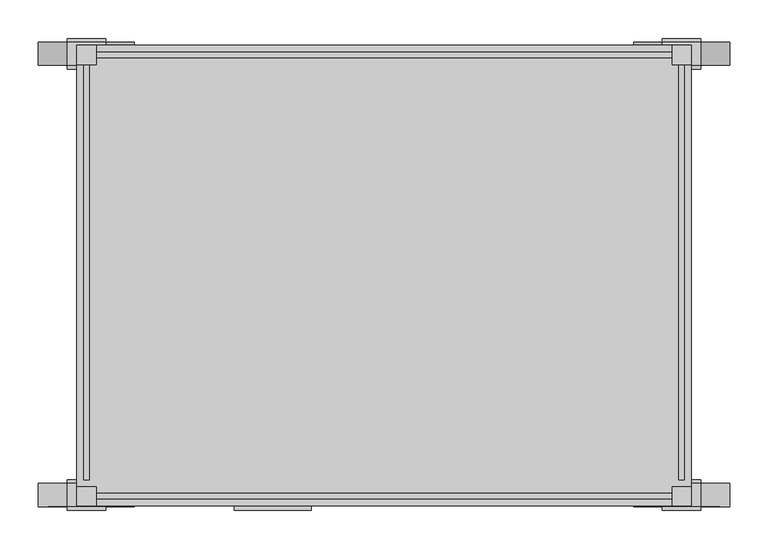
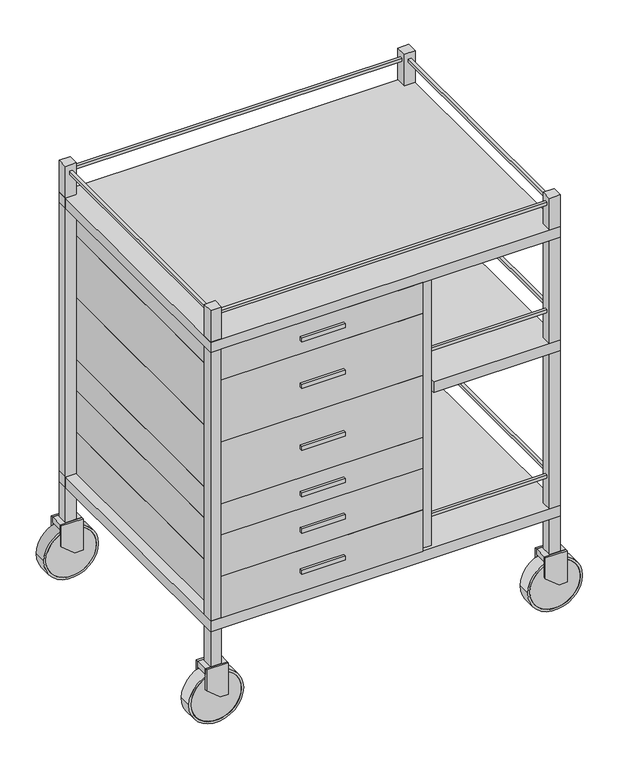
"""IFC4 building model written with IfcOpenShell, lengths in millimetres: proxy geometry."""

import ifcopenshell
import ifcopenshell.guid

model = None  # the IFC model being written
_history = None  # IfcOwnerHistory: only IFC2X3 demands one
_inside = {}  # id of a spatial element -> (the spatial element, [elements in it])
_under = {}  # id of a project, library or spatial element -> (it, [spatial elements below it])
_declared = {}  # id of a project -> (the project, [libraries it declares])
_typed = {}  # id of a type object -> (the type object, [elements of that type])
_made_of = {}  # id of a material, layer set ... -> (it, [elements and type objects made of it])


def new_model(schema):
    """Start an empty IFC model of exactly this schema.

    Asked for "IFC4X3", IfcOpenShell would pick the latest addendum, in which some entities
    have other attributes; the version numbers below select the first issue.
    IFC2X3 requires an IfcOwnerHistory on every rooted entity: one is made here for all.
    """
    global model, _history
    if schema == "IFC4X3":
        model = ifcopenshell.file(schema_version=(4, 3, 0, 0))
    else:
        model = ifcopenshell.file(schema=schema)
    _inside.clear()
    _under.clear()
    _declared.clear()
    _typed.clear()
    _made_of.clear()
    _history = None
    if model.schema == "IFC2X3":
        org = make("IfcOrganization", Name="unknown")
        user = make(
            "IfcPersonAndOrganization",
            ThePerson=make("IfcPerson", FamilyName="unknown"),
            TheOrganization=org,
        )
        app = make(
            "IfcApplication",
            ApplicationDeveloper=org,
            Version="unknown",
            ApplicationFullName="unknown",
            ApplicationIdentifier="unknown",
        )
        _history = make(
            "IfcOwnerHistory",
            OwningUser=user,
            OwningApplication=app,
            ChangeAction="ADDED",
            CreationDate=0,
        )
    return model


def make(cls, **values):
    """One entity of the class cls with the attributes given. An attribute that is None is left unset."""
    return model.create_entity(
        cls, **{name: value for name, value in values.items() if value is not None}
    )


def rooted(cls, **values):
    """An entity with a GlobalId (a new one), such as an element, a storey or a relation."""
    return make(cls, GlobalId=ifcopenshell.guid.new(), OwnerHistory=_history, **values)


def si_unit(unit_type, name, prefix=None):
    """IfcSIUnit, for example si_unit("LENGTHUNIT", "METRE", prefix="MILLI")."""
    return make("IfcSIUnit", UnitType=unit_type, Prefix=prefix, Name=name)


def assignment(units):
    """IfcUnitAssignment: the units of a project."""
    return None if units is None else make("IfcUnitAssignment", Units=units)


def point(xyz):
    """IfcCartesianPoint."""
    return None if xyz is None else make("IfcCartesianPoint", Coordinates=xyz)


def direction(xyz):
    """IfcDirection."""
    return None if xyz is None else make("IfcDirection", DirectionRatios=xyz)


def frame(location, z_axis=None, x_axis=None):
    """IfcAxis2Placement3D, a coordinate frame: its origin and axes. An axis left out is left unset."""
    return make(
        "IfcAxis2Placement3D",
        Location=point(location),
        Axis=direction(z_axis),
        RefDirection=direction(x_axis),
    )


def frame_2d(location, x_axis=None):
    """IfcAxis2Placement2D, a coordinate frame in the plane: its origin and x axis."""
    return make(
        "IfcAxis2Placement2D", Location=point(location), RefDirection=direction(x_axis)
    )


def origin():
    """The frame at (0, 0, 0) with its axes left unset."""
    return frame((0.0, 0.0, 0.0))


def place(relative_to, where):
    """IfcLocalPlacement: puts the frame where relative to a parent placement (None: the world)."""
    return make(
        "IfcLocalPlacement", PlacementRelTo=relative_to, RelativePlacement=where
    )


def context(
    kind, dimensions, precision=None, world=None, true_north=None, identifier=None
):
    """IfcGeometricRepresentationContext, for example the 3D "Model" context."""
    return make(
        "IfcGeometricRepresentationContext",
        ContextIdentifier=identifier,
        ContextType=kind,
        CoordinateSpaceDimension=dimensions,
        Precision=precision,
        WorldCoordinateSystem=world,
        TrueNorth=true_north,
    )


def project(units=None, contexts=None):
    """IfcProject with its units and contexts."""
    return rooted(
        "IfcProject",
        Name="project",
        RepresentationContexts=contexts,
        UnitsInContext=assignment(units),
    )


def spatial(cls, under=None, at=None, **own):
    """A site, building, storey or space (cls), placed at a placement, below another one or the project."""
    s = rooted(cls, ObjectPlacement=at, **own)
    if under is not None:
        _under.setdefault(under.id(), (under, []))[1].append(s)
    return s


def polyline(points):
    """IfcPolyline through the points."""
    return make("IfcPolyline", Points=[point(p) for p in points])


def circle_curve(where, radius):
    """IfcCircle in the frame where."""
    return make("IfcCircle", Position=where, Radius=radius)


def trimmed(basis, trim1, trim2, sense, master):
    """IfcTrimmedCurve: the piece of a basis curve between two trims."""
    return make(
        "IfcTrimmedCurve",
        BasisCurve=basis,
        Trim1=trim1,
        Trim2=trim2,
        SenseAgreement=sense,
        MasterRepresentation=master,
    )


def segment(curve, same_sense, transition):
    """IfcCompositeCurveSegment."""
    return make(
        "IfcCompositeCurveSegment",
        Transition=transition,
        SameSense=same_sense,
        ParentCurve=curve,
    )


def composite_curve(segments, self_intersect=None):
    """IfcCompositeCurve: segments joined end to end."""
    return make("IfcCompositeCurve", Segments=segments, SelfIntersect=self_intersect)


def outline(outer, holes=None, kind="AREA"):
    """IfcArbitraryClosedProfileDef: a profile drawn as a closed curve; with holes, ...WithVoids."""
    if holes is None:
        return make("IfcArbitraryClosedProfileDef", ProfileType=kind, OuterCurve=outer)
    return make(
        "IfcArbitraryProfileDefWithVoids",
        ProfileType=kind,
        OuterCurve=outer,
        InnerCurves=holes,
    )


def extrude(swept, where, along, depth):
    """IfcExtrudedAreaSolid: the profile swept, set in the frame where, extruded along a direction by depth."""
    return make(
        "IfcExtrudedAreaSolid",
        SweptArea=swept,
        Position=where,
        ExtrudedDirection=direction(along),
        Depth=depth,
    )


def shape(context_of_items, identifier, shape_type, items):
    """IfcShapeRepresentation: the items that make up one representation, for example the "Body"."""
    return make(
        "IfcShapeRepresentation",
        ContextOfItems=context_of_items,
        RepresentationIdentifier=identifier,
        RepresentationType=shape_type,
        Items=items,
    )


def source(mapping_origin, context_of_items, identifier, shape_type, items):
    """IfcRepresentationMap: a shape defined once, which mapped items show again and again."""
    return make(
        "IfcRepresentationMap",
        MappingOrigin=mapping_origin,
        MappedRepresentation=shape(context_of_items, identifier, shape_type, items),
    )


def transform(
    local_origin,
    x_axis=None,
    y_axis=None,
    z_axis=None,
    scale=None,
    scale2=None,
    scale3=None,
    uniform=True,
):
    """IfcCartesianTransformationOperator3D, or its non-uniform kind. x_axis, y_axis, z_axis: its Axis1, 2, 3."""
    if uniform:
        return make(
            "IfcCartesianTransformationOperator3D",
            Axis1=direction(x_axis),
            Axis2=direction(y_axis),
            LocalOrigin=point(local_origin),
            Scale=scale,
            Axis3=direction(z_axis),
        )
    return make(
        "IfcCartesianTransformationOperator3DnonUniform",
        Axis1=direction(x_axis),
        Axis2=direction(y_axis),
        LocalOrigin=point(local_origin),
        Scale=scale,
        Axis3=direction(z_axis),
        Scale2=scale2,
        Scale3=scale3,
    )


def mapped(mapping_source, mapping_target):
    """IfcMappedItem: shows the shape of a source again, moved by a transform."""
    return make(
        "IfcMappedItem", MappingSource=mapping_source, MappingTarget=mapping_target
    )


def made_of(thing, what):
    """Note that an element or type object is made of a material, layer set ...; save() writes the relation."""
    if what is not None:
        _made_of.setdefault(what.id(), (what, []))[1].append(thing)
    return thing


def element(
    cls,
    number,
    at=None,
    inside=None,
    cuts=None,
    type_object=None,
    material=None,
    context=None,
    identifier="Body",
    shape_type=None,
    held_by="IfcProductDefinitionShape",
    body=None,
    shapes=None,
    **own,
):
    """One element of the class cls, such as IfcWall. Its Tag is "e" and its number.

    at: its placement. inside: the storey or other place that contains it. cuts: it is an
    opening in that element (IfcRelVoidsElement). A single representation is given by context,
    identifier, shape_type and body (its items); several are given by shapes. held_by: the class
    of the entity that holds the representations. save() writes the other relations.
    """
    e = rooted(cls, Tag="e%d" % number, ObjectPlacement=at, **own)
    if body is not None:
        shapes = [shape(context, identifier, shape_type, body)]
    if shapes is not None:
        e.Representation = make(held_by, Representations=shapes)
    if inside is not None:
        _inside.setdefault(inside.id(), (inside, []))[1].append(e)
    if cuts is not None:
        rooted(
            "IfcRelVoidsElement", RelatingBuildingElement=cuts, RelatedOpeningElement=e
        )
    if type_object is not None:
        _typed.setdefault(type_object.id(), (type_object, []))[1].append(e)
    return made_of(e, material)


def aggregate(whole, parts):
    """IfcRelAggregates: a whole, such as a stair, and the parts it consists of."""
    return rooted("IfcRelAggregates", RelatingObject=whole, RelatedObjects=parts)


def save(model, path):
    """Write the relations noted so far, then the file.

    IfcRelAggregates (storeys below a building ...), IfcRelContainedInSpatialStructure (elements
    in a storey), IfcRelDefinesByType, IfcRelAssociatesMaterial and IfcRelDeclares: one each for
    every whole, place, type object, material and project.
    """
    for whole, parts in _under.values():
        aggregate(whole, parts)
    for where, things in _inside.values():
        rooted(
            "IfcRelContainedInSpatialStructure",
            RelatedElements=things,
            RelatingStructure=where,
        )
    for kind, things in _typed.values():
        rooted("IfcRelDefinesByType", RelatedObjects=things, RelatingType=kind)
    for what, things in _made_of.values():
        rooted("IfcRelAssociatesMaterial", RelatedObjects=things, RelatingMaterial=what)
    for by, libraries in _declared.values():
        rooted("IfcRelDeclares", RelatingContext=by, RelatedDefinitions=libraries)
    model.write(path)


def specialty_equipment_c2735420(model_context):
    return source(origin(), model_context, "Body", "SweptSolid", [
        extrude(outline(composite_curve([segment(trimmed(circle_curve(frame_2d((62.5, 338.3586559)), 57.5), [point((62.5, 395.8586559))], [point((62.5, 280.8586559))], False, "CARTESIAN"), True, "CONTINUOUS"), segment(trimmed(circle_curve(frame_2d((62.5, 338.3586559)), 57.5), [point((62.5, 280.8586559))], [point((62.5, 395.8586559))], False, "CARTESIAN"), True, "CONTINUOUS")], self_intersect=False)), frame((0.0, 225.2119941, 0.0), z_axis=(0.0, 1.0, 0.0), x_axis=(0.0, 0.0, 1.0)), (0.0, 0.0, 1.0), 29.2265291),
        extrude(outline(composite_curve([segment(polyline([(138.098077, 313.4167294), (125.119757, 313.4167294)]), True, "CONTINUOUS"), segment(trimmed(circle_curve(frame_2d((64.5595165, 338.3708329)), 65.5), [point((125.119757, 313.4167294))], [point((125.1297865, 363.3005823))], True, "CARTESIAN"), True, "CONTINUOUS"), segment(polyline([(125.1297865, 363.3005823), (138.098077, 363.3005823), (138.098077, 313.4167294)]), True, "CONTINUOUS")], self_intersect=False)), frame((0.0, 225.2119941, 0.0), z_axis=(0.0, 1.0, 0.0), x_axis=(0.0, 0.0, 1.0)), (0.0, 0.0, 1.0), 30.0),
        extrude(outline(polyline([(62.5, 363.3005823), (138.098077, 363.3005823), (138.098077, 313.4167294), (87.5, 313.4167294), (62.5, 344.4305465), (62.5, 363.3005823)])), frame((0.0, 220.2119941, 0.0), z_axis=(0.0, 1.0, 0.0), x_axis=(0.0, 0.0, 1.0)), (0.0, 0.0, 1.0), 5.0),
        extrude(outline(polyline([(62.5, 363.3005823), (138.098077, 363.3005823), (138.098077, 313.4167294), (87.5, 313.4167294), (62.5, 344.4305465), (62.5, 363.3005823)])), frame((0.0, 255.2119941, 0.0), z_axis=(0.0, 1.0, 0.0), x_axis=(0.0, 0.0, 1.0)), (0.0, 0.0, 1.0), 5.0),
        extrude(outline(composite_curve([segment(trimmed(circle_curve(frame_2d((62.5, 338.3586559)), 62.5), [point((62.5, 275.8586559))], [point((62.5, 400.8586559))], False, "CARTESIAN"), True, "CONTINUOUS"), segment(trimmed(circle_curve(frame_2d((62.5, 338.3586559)), 62.5), [point((62.5, 400.8586559))], [point((62.5, 275.8586559))], False, "CARTESIAN"), True, "CONTINUOUS")], self_intersect=False), holes=[composite_curve([segment(trimmed(circle_curve(frame_2d((62.5, 338.3586559)), 57.5), [point((62.5, 280.8586559))], [point((62.5, 395.8586559))], True, "CARTESIAN"), True, "CONTINUOUS"), segment(trimmed(circle_curve(frame_2d((62.5, 338.3586559)), 57.5), [point((62.5, 395.8586559))], [point((62.5, 280.8586559))], True, "CARTESIAN"), True, "CONTINUOUS")], self_intersect=False)]), frame((0.0, 225.2119941, 0.0), z_axis=(0.0, 1.0, 0.0), x_axis=(0.0, 0.0, 1.0)), (0.0, 0.0, 1.0), 30.0),
        extrude(outline(composite_curve([segment(trimmed(circle_curve(frame_2d((62.5, 338.3586559)), 57.5), [point((62.5, 395.8586559))], [point((62.5, 280.8586559))], False, "CARTESIAN"), True, "CONTINUOUS"), segment(trimmed(circle_curve(frame_2d((62.5, 338.3586559)), 57.5), [point((62.5, 280.8586559))], [point((62.5, 395.8586559))], False, "CARTESIAN"), True, "CONTINUOUS")], self_intersect=False)), frame((0.0, -349.014535, 0.0), z_axis=(0.0, 1.0, 0.0), x_axis=(0.0, 0.0, 1.0)), (0.0, 0.0, 1.0), 29.2265291),
        extrude(outline(composite_curve([segment(polyline([(138.098077, 313.4167294), (125.119757, 313.4167294)]), True, "CONTINUOUS"), segment(trimmed(circle_curve(frame_2d((64.5595165, 338.3708329)), 65.5), [point((125.119757, 313.4167294))], [point((125.1297865, 363.3005823))], True, "CARTESIAN"), True, "CONTINUOUS"), segment(polyline([(125.1297865, 363.3005823), (138.098077, 363.3005823), (138.098077, 313.4167294)]), True, "CONTINUOUS")], self_intersect=False)), frame((0.0, -349.7880059, 0.0), z_axis=(0.0, 1.0, 0.0), x_axis=(0.0, 0.0, 1.0)), (0.0, 0.0, 1.0), 30.0),
        extrude(outline(polyline([(62.5, 363.3005823), (138.098077, 363.3005823), (138.098077, 313.4167294), (87.5, 313.4167294), (62.5, 344.4305465), (62.5, 363.3005823)])), frame((0.0, -319.7880059, 0.0), z_axis=(0.0, 1.0, 0.0), x_axis=(0.0, 0.0, 1.0)), (0.0, 0.0, 1.0), 5.0),
        extrude(outline(polyline([(62.5, 363.3005823), (138.098077, 363.3005823), (138.098077, 313.4167294), (87.5, 313.4167294), (62.5, 344.4305465), (62.5, 363.3005823)])), frame((0.0, -354.7880059, 0.0), z_axis=(0.0, 1.0, 0.0), x_axis=(0.0, 0.0, 1.0)), (0.0, 0.0, 1.0), 5.0),
        extrude(outline(composite_curve([segment(trimmed(circle_curve(frame_2d((62.5, 338.3586559)), 62.5), [point((62.5, 275.8586559))], [point((62.5, 400.8586559))], False, "CARTESIAN"), True, "CONTINUOUS"), segment(trimmed(circle_curve(frame_2d((62.5, 338.3586559)), 62.5), [point((62.5, 400.8586559))], [point((62.5, 275.8586559))], False, "CARTESIAN"), True, "CONTINUOUS")], self_intersect=False), holes=[composite_curve([segment(trimmed(circle_curve(frame_2d((62.5, 338.3586559)), 57.5), [point((62.5, 280.8586559))], [point((62.5, 395.8586559))], True, "CARTESIAN"), True, "CONTINUOUS"), segment(trimmed(circle_curve(frame_2d((62.5, 338.3586559)), 57.5), [point((62.5, 395.8586559))], [point((62.5, 280.8586559))], True, "CARTESIAN"), True, "CONTINUOUS")], self_intersect=False)]), frame((0.0, -349.7880059, 0.0), z_axis=(0.0, 1.0, 0.0), x_axis=(0.0, 0.0, 1.0)), (0.0, 0.0, 1.0), 30.0),
        extrude(outline(polyline([(-144.1413441, -355.014535), (-244.1413441, -355.014535), (-244.1413441, -349.014535), (-144.1413441, -349.014535), (-144.1413441, -355.014535)])), frame((0.0, 0.0, 293.098077), z_axis=(0.0, 0.0, 1.0), x_axis=(1.0, 0.0, 0.0)), (0.0, 0.0, 1.0), 10.0),
        extrude(outline(polyline([(-144.1413441, -355.014535), (-244.1413441, -355.014535), (-244.1413441, -349.014535), (-144.1413441, -349.014535), (-144.1413441, -355.014535)])), frame((0.0, 0.0, 393.098077), z_axis=(0.0, 0.0, 1.0), x_axis=(1.0, 0.0, 0.0)), (0.0, 0.0, 1.0), 10.0),
        extrude(outline(polyline([(-144.1413441, -355.014535), (-244.1413441, -355.014535), (-244.1413441, -349.014535), (-144.1413441, -349.014535), (-144.1413441, -355.014535)])), frame((0.0, 0.0, 480.598077), z_axis=(0.0, 0.0, 1.0), x_axis=(1.0, 0.0, 0.0)), (0.0, 0.0, 1.0), 10.0),
        extrude(outline(polyline([(-144.1413441, -355.014535), (-244.1413441, -355.014535), (-244.1413441, -349.014535), (-144.1413441, -349.014535), (-144.1413441, -355.014535)])), frame((0.0, 0.0, 593.098077), z_axis=(0.0, 0.0, 1.0), x_axis=(1.0, 0.0, 0.0)), (0.0, 0.0, 1.0), 10.0),
        extrude(outline(polyline([(-144.1413441, -355.014535), (-244.1413441, -355.014535), (-244.1413441, -349.014535), (-144.1413441, -349.014535), (-144.1413441, -355.014535)])), frame((0.0, 0.0, 743.098077), z_axis=(0.0, 0.0, 1.0), x_axis=(1.0, 0.0, 0.0)), (0.0, 0.0, 1.0), 10.0),
        extrude(outline(polyline([(-144.1413441, -355.014535), (-244.1413441, -355.014535), (-244.1413441, -349.014535), (-144.1413441, -349.014535), (-144.1413441, -355.014535)])), frame((0.0, 0.0, 855.598077), z_axis=(0.0, 0.0, 1.0), x_axis=(1.0, 0.0, 0.0)), (0.0, 0.0, 1.0), 10.0),
        extrude(outline(polyline([(35.8586559, -349.014535), (-424.1413441, -349.014535), (-424.1413441, 250.985465), (35.8586559, 250.985465), (35.8586559, -349.014535)])), frame((0.0, 0.0, 248.098077), z_axis=(0.0, 0.0, 1.0), x_axis=(1.0, 0.0, 0.0)), (0.0, 0.0, 1.0), 100.0),
        extrude(outline(polyline([(35.8586559, -349.014535), (-424.1413441, -349.014535), (-424.1413441, 250.985465), (35.8586559, 250.985465), (35.8586559, -349.014535)])), frame((0.0, 0.0, 348.098077), z_axis=(0.0, 0.0, 1.0), x_axis=(1.0, 0.0, 0.0)), (0.0, 0.0, 1.0), 100.0),
        extrude(outline(polyline([(35.8586559, -349.014535), (-424.1413441, -349.014535), (-424.1413441, 250.985465), (35.8586559, 250.985465), (35.8586559, -349.014535)])), frame((0.0, 0.0, 448.098077), z_axis=(0.0, 0.0, 1.0), x_axis=(1.0, 0.0, 0.0)), (0.0, 0.0, 1.0), 75.0),
        extrude(outline(polyline([(35.8586559, -349.014535), (-424.1413441, -349.014535), (-424.1413441, 250.985465), (35.8586559, 250.985465), (35.8586559, -349.014535)])), frame((0.0, 0.0, 523.098077), z_axis=(0.0, 0.0, 1.0), x_axis=(1.0, 0.0, 0.0)), (0.0, 0.0, 1.0), 150.0),
        extrude(outline(polyline([(35.8586559, -349.014535), (-424.1413441, -349.014535), (-424.1413441, 250.985465), (35.8586559, 250.985465), (35.8586559, -349.014535)])), frame((0.0, 0.0, 673.098077), z_axis=(0.0, 0.0, 1.0), x_axis=(1.0, 0.0, 0.0)), (0.0, 0.0, 1.0), 150.0),
        extrude(outline(polyline([(35.8586559, -349.014535), (-424.1413441, -349.014535), (-424.1413441, 250.985465), (35.8586559, 250.985465), (35.8586559, -349.014535)])), frame((0.0, 0.0, 823.098077), z_axis=(0.0, 0.0, 1.0), x_axis=(1.0, 0.0, 0.0)), (0.0, 0.0, 1.0), 75.0),
        extrude(outline(polyline([(60.8586559, -340.014535), (35.8586559, -340.014535), (35.8586559, 250.985465), (60.8586559, 250.985465), (60.8586559, -340.014535)])), frame((0.0, 0.0, 248.098077), z_axis=(0.0, 0.0, 1.0), x_axis=(1.0, 0.0, 0.0)), (0.0, 0.0, 1.0), 650.0),
        extrude(outline(polyline([(325.8586559, -333.014535), (325.8586559, -340.014535), (60.8586559, -340.014535), (60.8586559, -333.014535), (325.8586559, -333.014535)])), frame((0.0, 0.0, 718.098077), z_axis=(0.0, 0.0, 1.0), x_axis=(1.0, 0.0, 0.0)), (0.0, 0.0, 1.0), 7.0),
        extrude(outline(polyline([(325.8586559, -333.014535), (325.8586559, -340.014535), (60.8586559, -340.014535), (60.8586559, -333.014535), (325.8586559, -333.014535)])), frame((0.0, 0.0, 318.098077), z_axis=(0.0, 0.0, 1.0), x_axis=(1.0, 0.0, 0.0)), (0.0, 0.0, 1.0), 7.0),
        extrude(outline(polyline([(325.8586559, -333.014535), (325.8586559, -340.014535), (60.8586559, -340.014535), (60.8586559, -333.014535), (325.8586559, -333.014535)])), frame((0.0, 0.0, 318.098077), z_axis=(0.0, 0.0, 1.0), x_axis=(1.0, 0.0, 0.0)), (0.0, 0.0, 1.0), 7.0),
        extrude(outline(polyline([(341.8586559, -324.014535), (334.8586559, -324.014535), (334.8586559, 225.985465), (341.8586559, 225.985465), (341.8586559, -324.014535)])), frame((0.0, 0.0, 318.098077), z_axis=(0.0, 0.0, 1.0), x_axis=(1.0, 0.0, 0.0)), (0.0, 0.0, 1.0), 7.0),
        extrude(outline(polyline([(350.8586559, -349.014535), (60.8586559, -349.014535), (60.8586559, 250.985465), (350.8586559, 250.985465), (350.8586559, -349.014535)])), frame((0.0, 0.0, 623.098077), z_axis=(0.0, 0.0, 1.0), x_axis=(1.0, 0.0, 0.0)), (0.0, 0.0, 1.0), 25.0),
        extrude(outline(polyline([(341.8586559, -314.7880059), (334.8586559, -314.7880059), (334.8586559, 225.985465), (341.8586559, 225.985465), (341.8586559, -314.7880059)])), frame((0.0, 0.0, 718.098077), z_axis=(0.0, 0.0, 1.0), x_axis=(1.0, 0.0, 0.0)), (0.0, 0.0, 1.0), 7.0),
        extrude(outline(polyline([(341.8586559, -314.7880059), (334.8586559, -314.7880059), (334.8586559, 225.985465), (341.8586559, 225.985465), (341.8586559, -314.7880059)])), frame((0.0, 0.0, 978.098077), z_axis=(0.0, 0.0, 1.0), x_axis=(1.0, 0.0, 0.0)), (0.0, 0.0, 1.0), 7.0),
        extrude(outline(polyline([(-440.1413441, -314.7880059), (-440.1413441, 225.985465), (-433.1413441, 225.985465), (-433.1413441, -314.7880059), (-440.1413441, -314.7880059)])), frame((0.0, 0.0, 978.098077), z_axis=(0.0, 0.0, 1.0), x_axis=(1.0, 0.0, 0.0)), (0.0, 0.0, 1.0), 7.0),
        extrude(outline(polyline([(325.8586559, -333.014535), (325.8586559, -340.014535), (-424.1413441, -340.014535), (-424.1413441, -333.014535), (325.8586559, -333.014535)])), frame((0.0, 0.0, 978.098077), z_axis=(0.0, 0.0, 1.0), x_axis=(1.0, 0.0, 0.0)), (0.0, 0.0, 1.0), 7.0),
        extrude(outline(polyline([(325.8586559, 234.985465), (-424.1413441, 234.985465), (-424.1413441, 241.985465), (325.8586559, 241.985465), (325.8586559, 234.985465)])), frame((0.0, 0.0, 978.098077), z_axis=(0.0, 0.0, 1.0), x_axis=(1.0, 0.0, 0.0)), (0.0, 0.0, 1.0), 7.0),
        extrude(outline(polyline([(350.8586559, -349.014535), (-449.1413441, -349.014535), (-449.1413441, 250.985465), (350.8586559, 250.985465), (350.8586559, -349.014535)])), frame((0.0, 0.0, 898.098077), z_axis=(0.0, 0.0, 1.0), x_axis=(1.0, 0.0, 0.0)), (0.0, 0.0, 1.0), 25.0),
        extrude(outline(polyline([(350.8586559, -349.014535), (-449.1413441, -349.014535), (-449.1413441, 250.985465), (350.8586559, 250.985465), (350.8586559, -349.014535)])), frame((0.0, 0.0, 223.098077), z_axis=(0.0, 0.0, 1.0), x_axis=(1.0, 0.0, 0.0)), (0.0, 0.0, 1.0), 25.0),
        extrude(outline(polyline([(350.8586559, -349.014535), (325.8586559, -349.014535), (325.8586559, -324.014535), (350.8586559, -324.014535), (350.8586559, -349.014535)])), frame((0.0, 0.0, 138.098077), z_axis=(0.0, 0.0, 1.0), x_axis=(1.0, 0.0, 0.0)), (0.0, 0.0, 1.0), 861.901923),
        extrude(outline(polyline([(350.8586559, 250.985465), (350.8586559, 225.985465), (325.8586559, 225.985465), (325.8586559, 250.985465), (350.8586559, 250.985465)])), frame((0.0, 0.0, 138.098077), z_axis=(0.0, 0.0, 1.0), x_axis=(1.0, 0.0, 0.0)), (0.0, 0.0, 1.0), 861.901923),
        extrude(outline(polyline([(-449.1413441, -349.014535), (-449.1413441, -324.014535), (-424.1413441, -324.014535), (-424.1413441, -349.014535), (-449.1413441, -349.014535)])), frame((0.0, 0.0, 138.098077), z_axis=(0.0, 0.0, 1.0), x_axis=(1.0, 0.0, 0.0)), (0.0, 0.0, 1.0), 861.901923),
        extrude(outline(polyline([(-449.1413441, 250.985465), (-424.1413441, 250.985465), (-424.1413441, 225.985465), (-449.1413441, 225.985465), (-449.1413441, 250.985465)])), frame((0.0, 0.0, 138.098077), z_axis=(0.0, 0.0, 1.0), x_axis=(1.0, 0.0, 0.0)), (0.0, 0.0, 1.0), 861.901923),
        extrude(outline(composite_curve([segment(trimmed(circle_curve(frame_2d((62.5, -436.6413441)), 57.5), [point((62.5, -379.1413441))], [point((62.5, -494.1413441))], False, "CARTESIAN"), True, "CONTINUOUS"), segment(trimmed(circle_curve(frame_2d((62.5, -436.6413441)), 57.5), [point((62.5, -494.1413441))], [point((62.5, -379.1413441))], False, "CARTESIAN"), True, "CONTINUOUS")], self_intersect=False)), frame((0.0, 225.2119941, 0.0), z_axis=(0.0, 1.0, 0.0), x_axis=(0.0, 0.0, 1.0)), (0.0, 0.0, 1.0), 29.2265291),
        extrude(outline(composite_curve([segment(polyline([(138.098077, -461.5832706), (125.119757, -461.5832706)]), True, "CONTINUOUS"), segment(trimmed(circle_curve(frame_2d((64.5595165, -436.6291671)), 65.5), [point((125.119757, -461.5832706))], [point((125.1297865, -411.6994177))], True, "CARTESIAN"), True, "CONTINUOUS"), segment(polyline([(125.1297865, -411.6994177), (138.098077, -411.6994177), (138.098077, -461.5832706)]), True, "CONTINUOUS")], self_intersect=False)), frame((0.0, 225.2119941, 0.0), z_axis=(0.0, 1.0, 0.0), x_axis=(0.0, 0.0, 1.0)), (0.0, 0.0, 1.0), 30.0),
        extrude(outline(polyline([(62.5, -411.6994177), (138.098077, -411.6994177), (138.098077, -461.5832706), (87.5, -461.5832706), (62.5, -430.5694535), (62.5, -411.6994177)])), frame((0.0, 220.2119941, 0.0), z_axis=(0.0, 1.0, 0.0), x_axis=(0.0, 0.0, 1.0)), (0.0, 0.0, 1.0), 5.0),
        extrude(outline(polyline([(62.5, -411.6994177), (138.098077, -411.6994177), (138.098077, -461.5832706), (87.5, -461.5832706), (62.5, -430.5694535), (62.5, -411.6994177)])), frame((0.0, 255.2119941, 0.0), z_axis=(0.0, 1.0, 0.0), x_axis=(0.0, 0.0, 1.0)), (0.0, 0.0, 1.0), 5.0),
        extrude(outline(composite_curve([segment(trimmed(circle_curve(frame_2d((62.5, -436.6413441)), 62.5), [point((62.5, -499.1413441))], [point((62.5, -374.1413441))], False, "CARTESIAN"), True, "CONTINUOUS"), segment(trimmed(circle_curve(frame_2d((62.5, -436.6413441)), 62.5), [point((62.5, -374.1413441))], [point((62.5, -499.1413441))], False, "CARTESIAN"), True, "CONTINUOUS")], self_intersect=False), holes=[composite_curve([segment(trimmed(circle_curve(frame_2d((62.5, -436.6413441)), 57.5), [point((62.5, -494.1413441))], [point((62.5, -379.1413441))], True, "CARTESIAN"), True, "CONTINUOUS"), segment(trimmed(circle_curve(frame_2d((62.5, -436.6413441)), 57.5), [point((62.5, -379.1413441))], [point((62.5, -494.1413441))], True, "CARTESIAN"), True, "CONTINUOUS")], self_intersect=False)]), frame((0.0, 225.2119941, 0.0), z_axis=(0.0, 1.0, 0.0), x_axis=(0.0, 0.0, 1.0)), (0.0, 0.0, 1.0), 30.0),
        extrude(outline(composite_curve([segment(trimmed(circle_curve(frame_2d((62.5, -436.6413441)), 57.5), [point((62.5, -379.1413441))], [point((62.5, -494.1413441))], False, "CARTESIAN"), True, "CONTINUOUS"), segment(trimmed(circle_curve(frame_2d((62.5, -436.6413441)), 57.5), [point((62.5, -494.1413441))], [point((62.5, -379.1413441))], False, "CARTESIAN"), True, "CONTINUOUS")], self_intersect=False)), frame((0.0, -349.014535, 0.0), z_axis=(0.0, 1.0, 0.0), x_axis=(0.0, 0.0, 1.0)), (0.0, 0.0, 1.0), 29.2265291),
        extrude(outline(composite_curve([segment(polyline([(138.098077, -461.5832706), (125.119757, -461.5832706)]), True, "CONTINUOUS"), segment(trimmed(circle_curve(frame_2d((64.5595165, -436.6291671)), 65.5), [point((125.119757, -461.5832706))], [point((125.1297865, -411.6994177))], True, "CARTESIAN"), True, "CONTINUOUS"), segment(polyline([(125.1297865, -411.6994177), (138.098077, -411.6994177), (138.098077, -461.5832706)]), True, "CONTINUOUS")], self_intersect=False)), frame((0.0, -349.7880059, 0.0), z_axis=(0.0, 1.0, 0.0), x_axis=(0.0, 0.0, 1.0)), (0.0, 0.0, 1.0), 30.0),
        extrude(outline(polyline([(62.5, -411.6994177), (138.098077, -411.6994177), (138.098077, -461.5832706), (87.5, -461.5832706), (62.5, -430.5694535), (62.5, -411.6994177)])), frame((0.0, -319.7880059, 0.0), z_axis=(0.0, 1.0, 0.0), x_axis=(0.0, 0.0, 1.0)), (0.0, 0.0, 1.0), 5.0),
        extrude(outline(polyline([(62.5, -411.6994177), (138.098077, -411.6994177), (138.098077, -461.5832706), (87.5, -461.5832706), (62.5, -430.5694535), (62.5, -411.6994177)])), frame((0.0, -354.7880059, 0.0), z_axis=(0.0, 1.0, 0.0), x_axis=(0.0, 0.0, 1.0)), (0.0, 0.0, 1.0), 5.0),
        extrude(outline(composite_curve([segment(trimmed(circle_curve(frame_2d((62.5, -436.6413441)), 62.5), [point((62.5, -499.1413441))], [point((62.5, -374.1413441))], False, "CARTESIAN"), True, "CONTINUOUS"), segment(trimmed(circle_curve(frame_2d((62.5, -436.6413441)), 62.5), [point((62.5, -374.1413441))], [point((62.5, -499.1413441))], False, "CARTESIAN"), True, "CONTINUOUS")], self_intersect=False), holes=[composite_curve([segment(trimmed(circle_curve(frame_2d((62.5, -436.6413441)), 57.5), [point((62.5, -494.1413441))], [point((62.5, -379.1413441))], True, "CARTESIAN"), True, "CONTINUOUS"), segment(trimmed(circle_curve(frame_2d((62.5, -436.6413441)), 57.5), [point((62.5, -379.1413441))], [point((62.5, -494.1413441))], True, "CARTESIAN"), True, "CONTINUOUS")], self_intersect=False)]), frame((0.0, -349.7880059, 0.0), z_axis=(0.0, 1.0, 0.0), x_axis=(0.0, 0.0, 1.0)), (0.0, 0.0, 1.0), 30.0),
    ])


if __name__ == "__main__":
    model = new_model("IFC4")
    model_context = context("Model", 3, world=origin())
    ifc_project = project(units=[si_unit("LENGTHUNIT", "METRE", prefix="MILLI")], contexts=[model_context])
    site = spatial("IfcSite", under=ifc_project)
    building = spatial("IfcBuilding", under=site)
    placement = place(None, origin())
    specialty_equipment_shape = specialty_equipment_c2735420(model_context)
    element("IfcBuildingElementProxy", 1, Name="Specialty Equipment", at=placement, inside=building, context=model_context, shape_type="MappedRepresentation", body=[
        mapped(specialty_equipment_shape, transform((0.0, 0.0, 0.0), x_axis=(1.0, 0.0, 0.0), y_axis=(0.0, 1.0, 0.0), z_axis=(0.0, 0.0, 1.0))),
    ])
    save(model, "model.ifc")
